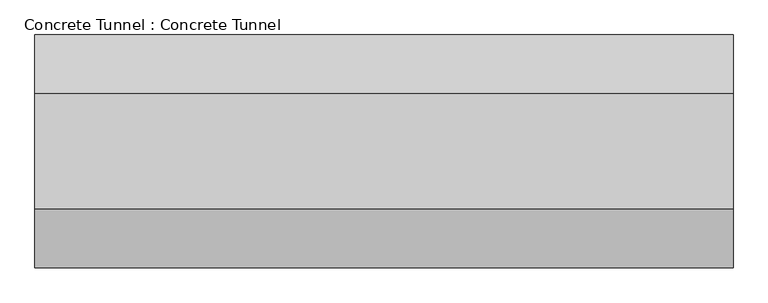
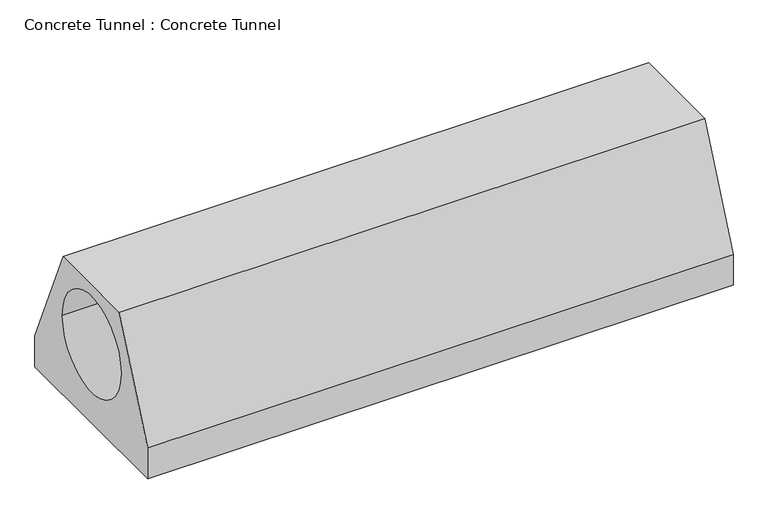
"""IFC4 building model written with IfcOpenShell, lengths in millimetres: proxy geometry, Concrete Tunnel : Concrete Tunnel."""

from ifc_helpers import new_model, si_unit, point, frame, frame_2d, origin, place, context, project, spatial, polyline, circle_curve, trimmed, segment, composite_curve, outline, extrude, source, transform, mapped, element, save


def concrete_tunnel_concrete_tunnel_34e0038b(model_context):
    return source(origin(), model_context, "Body", "SweptSolid", [
        extrude(outline(polyline([(16272.4101409, -468.7244768), (16272.4101409, -265.5244768), (16577.2101409, 445.6755232), (17186.8101409, 445.6755232), (17491.6101409, -265.5244768), (17491.6101409, -468.7244768), (16272.4101409, -468.7244768)]), holes=[composite_curve([segment(trimmed(circle_curve(frame_2d((16877.0948222, 52.4500295)), 317.5), [point((17194.5948222, 52.4500295))], [point((16559.5948222, 52.4500295))], True, "CARTESIAN"), True, "CONTINUOUS"), segment(trimmed(circle_curve(frame_2d((16877.0948222, 52.4500295)), 317.5), [point((16559.5948222, 52.4500295))], [point((17194.5948222, 52.4500295))], True, "CARTESIAN"), True, "CONTINUOUS")], self_intersect=False)]), frame((259519.02857, 0.0, 0.0), z_axis=(1.0, 0.0, 0.0), x_axis=(0.0, 1.0, 0.0)), (0.0, 0.0, 1.0), 3657.6),
    ])


if __name__ == "__main__":
    model = new_model("IFC4")
    model_context = context("Model", 3, world=origin())
    ifc_project = project(units=[si_unit("LENGTHUNIT", "METRE", prefix="MILLI")], contexts=[model_context])
    site = spatial("IfcSite", under=ifc_project)
    building = spatial("IfcBuilding", under=site)
    placement = place(None, origin())
    concrete_tunnel_concrete_tunnel_shape = concrete_tunnel_concrete_tunnel_34e0038b(model_context)
    element("IfcBuildingElementProxy", 1, Name="Concrete Tunnel : Concrete Tunnel", ObjectType="Concrete Tunnel : Concrete Tunnel", at=placement, inside=building, context=model_context, shape_type="MappedRepresentation", body=[
        mapped(concrete_tunnel_concrete_tunnel_shape, transform((0.0, 0.0, 0.0), x_axis=(1.0, 0.0, 0.0), y_axis=(0.0, 1.0, 0.0), z_axis=(0.0, 0.0, 1.0))),
    ])
    save(model, "model.ifc")
